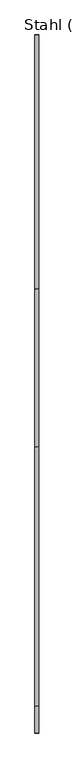
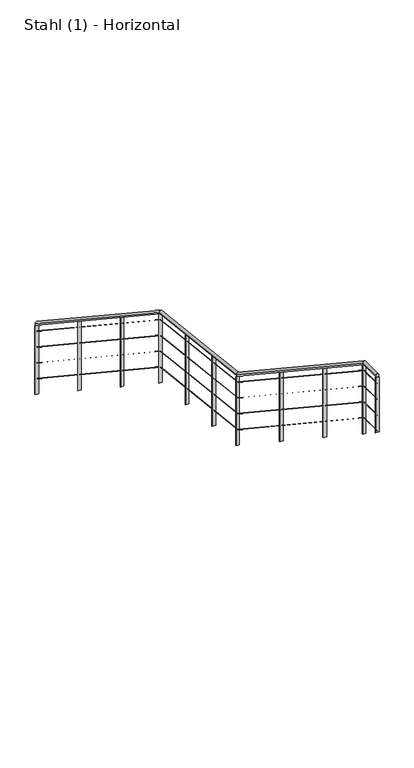
"""IFC4 building model written with IfcOpenShell, lengths in millimetres: railing geometry, Stahl (1) - Horizontal."""

from ifc_helpers import new_model, si_unit, frame, origin, place, context, project, spatial, polyline, circle_curve, ellipse_curve, outline, extrude, source, transform, mapped, element, save
from ifc_brep_helpers import plane_surface, cylinder_surface, advanced_brep


def stahl_1_horizontal_b038f002(model_context):
    return source(origin(), model_context, "Body", "SolidModel", [
        advanced_brep(
        [(33130.7514238, 35324.1830943, 1086.2890973), (33090.7514238, 35324.1830943, 1086.2890973), (33130.7514238, 32751.1980505, 2791.1440522), (33090.7514238, 32751.1980505, 2791.1440522), (33130.7514238, 31151.1980505, 2972.0964332), (33090.7514238, 31151.1980505, 2972.0964332), (33130.7514238, 28529.3488517, 4709.3286835), (33090.7514238, 28529.3488517, 4709.3286835), (33130.7514238, 28262.2783324, 4709.3286835), (33090.7514238, 28262.2783324, 4709.3286835)],
        [
            (0, 1, ellipse_curve(frame((33110.7514238, 35324.1830943, 1086.2890973), z_axis=(0.0, 1.0, 0.0), x_axis=(0.0, 0.0, -1.0)), 23.9919671, 20.0)),
            (1, 0, ellipse_curve(frame((33110.7514238, 35324.1830943, 1086.2890973), z_axis=(0.0, 1.0, 0.0), x_axis=(0.0, 0.0, -1.0)), 23.9919671, 20.0)),
            (0, 2),
            (2, 3, ellipse_curve(frame((33110.7514238, 32751.1980505, 2791.1440522), z_axis=(0.0, 0.9397497898618705, -0.34186303171675386), x_axis=(0.0, -0.34186303171675403, -0.9397497898618703)), 20.5715803, 20.0)),
            (3, 1),
            (3, 2, ellipse_curve(frame((33110.7514238, 32751.1980505, 2791.1440522), z_axis=(0.0, 0.9397497898618705, -0.34186303171675386), x_axis=(0.0, -0.34186303171675403, -0.9397497898618703)), 20.5715803, 20.0)),
            (2, 4),
            (4, 5, ellipse_curve(frame((33110.7514238, 31151.1980505, 2972.0964332), z_axis=(0.0, 0.9397497898618705, -0.34186303171675386), x_axis=(0.0, 0.3418630317167537, 0.9397497898618704)), 20.5715803, 20.0)),
            (5, 3),
            (5, 4, ellipse_curve(frame((33110.7514238, 31151.1980505, 2972.0964332), z_axis=(0.0, 0.9397497898618705, -0.34186303171675386), x_axis=(0.0, 0.3418630317167537, 0.9397497898618704)), 20.5715803, 20.0)),
            (4, 6),
            (6, 7, ellipse_curve(frame((33110.7514238, 28529.3488517, 4709.3286835), z_axis=(0.0, 0.9574999596457314, -0.28843340180780536), x_axis=(0.0, -0.28843340180780597, -0.9574999596457312)), 20.8877293, 20.0)),
            (7, 5),
            (7, 6, ellipse_curve(frame((33110.7514238, 28529.3488517, 4709.3286835), z_axis=(0.0, 0.9574999596457314, -0.28843340180780536), x_axis=(0.0, -0.28843340180780597, -0.9574999596457312)), 20.8877293, 20.0)),
            (8, 9, circle_curve(frame((33110.7514238, 28262.2783324, 4709.3286835), z_axis=(0.0, -1.0, 0.0), x_axis=(-1.0, 0.0, 0.0)), 20.0)),
            (9, 8, circle_curve(frame((33110.7514238, 28262.2783324, 4709.3286835), z_axis=(0.0, -1.0, 0.0), x_axis=(-1.0, 0.0, 0.0)), 20.0)),
            (6, 8),
            (9, 7),
        ],
        [
            plane_surface(frame((33110.7514238, 35324.1830943, 1110.2810645), z_axis=(0.0, 1.0, 0.0), x_axis=(0.0, 0.0, -1.0))),
            cylinder_surface(frame((33110.7514238, 35313.1360955, 1093.6088176), z_axis=(0.0, 0.8336123454431543, -0.5523499411829093), x_axis=(-1.0, 0.0, 0.0)), 20.0),
            cylinder_surface(frame((33110.7514238, 32755.9831368, 2790.6028818), z_axis=(0.0, 0.9936654360374932, -0.11237882907566885), x_axis=(-1.0, 0.0, 0.0)), 20.0),
            cylinder_surface(frame((33110.7514238, 31147.1837145, 2974.7563245), z_axis=(0.0, 0.8336123454431542, -0.5523499411829093), x_axis=(-1.0, 0.0, 0.0)), 20.0),
            plane_surface(frame((33110.7514238, 28262.2783324, 4729.3286835), z_axis=(0.0, -1.0, 0.0), x_axis=(0.0, 0.0, -1.0))),
            cylinder_surface(frame((33110.7514238, 28535.3735705, 4709.3286835), z_axis=(0.0, 1.0, 0.0), x_axis=(-1.0, 0.0, 0.0)), 20.0),
        ],
        [
            (0, [[1, 2]]),
            (1, [[-1, 3, 4, 5]]),
            (1, [[-2, -5, 6, -3]]),
            (2, [[-4, 7, 8, 9]]),
            (2, [[-6, -9, 10, -7]]),
            (3, [[-8, 11, 12, 13]]),
            (3, [[-10, -13, 14, -11]]),
            (4, [[15, 16]]),
            (5, [[-12, 17, -16, 18]]),
            (5, [[-14, -18, -15, -17]]),
        ],
    ),
        advanced_brep(
        [(33112.2514238, 35324.1830943, 988.4816669), (33109.2514238, 35324.1830943, 988.4816669), (33112.2514238, 32757.7032636, 2689.0262801), (33109.2514238, 32757.7032636, 2689.0262801), (33112.2514238, 31157.7032636, 2869.9786611), (33109.2514238, 31157.7032636, 2869.9786611), (33112.2514238, 28534.9217166, 4607.8286835), (33109.2514238, 28534.9217166, 4607.8286835), (33112.2514238, 28262.2783324, 4607.8286835), (33109.2514238, 28262.2783324, 4607.8286835)],
        [
            (0, 1, ellipse_curve(frame((33110.7514238, 35324.1830943, 988.4816669), z_axis=(0.0, 1.0, 0.0), x_axis=(0.0, 0.0, -1.0)), 1.7993975, 1.5)),
            (1, 0, ellipse_curve(frame((33110.7514238, 35324.1830943, 988.4816669), z_axis=(0.0, 1.0, 0.0), x_axis=(0.0, 0.0, -1.0)), 1.7993975, 1.5)),
            (0, 2),
            (2, 3, ellipse_curve(frame((33110.7514238, 32757.7032636, 2689.0262801), z_axis=(0.0, 0.9397497898618704, -0.34186303171675386), x_axis=(0.0, -0.3418630317167534, -0.9397497898618706)), 1.5428685, 1.5)),
            (3, 1),
            (3, 2, ellipse_curve(frame((33110.7514238, 32757.7032636, 2689.0262801), z_axis=(0.0, 0.9397497898618704, -0.34186303171675386), x_axis=(0.0, -0.3418630317167534, -0.9397497898618706)), 1.5428685, 1.5)),
            (2, 4),
            (4, 5, ellipse_curve(frame((33110.7514238, 31157.7032636, 2869.9786611), z_axis=(0.0, 0.9397497898618704, -0.34186303171675386), x_axis=(0.0, 0.34186303171675464, 0.9397497898618702)), 1.5428685, 1.5)),
            (5, 3),
            (5, 4, ellipse_curve(frame((33110.7514238, 31157.7032636, 2869.9786611), z_axis=(0.0, 0.9397497898618704, -0.34186303171675386), x_axis=(0.0, 0.34186303171675464, 0.9397497898618702)), 1.5428685, 1.5)),
            (4, 6),
            (6, 7, ellipse_curve(frame((33110.7514238, 28534.9217166, 4607.8286835), z_axis=(0.0, 0.9574999596457314, -0.28843340180780547), x_axis=(0.0, -0.28843340180780597, -0.9574999596457312)), 1.5665797, 1.5)),
            (7, 5),
            (7, 6, ellipse_curve(frame((33110.7514238, 28534.9217166, 4607.8286835), z_axis=(0.0, 0.9574999596457314, -0.28843340180780547), x_axis=(0.0, -0.28843340180780597, -0.9574999596457312)), 1.5665797, 1.5)),
            (8, 9, circle_curve(frame((33110.7514238, 28262.2783324, 4607.8286835), z_axis=(0.0, -1.0, 0.0), x_axis=(-1.0, 0.0, 0.0)), 1.5)),
            (9, 8, circle_curve(frame((33110.7514238, 28262.2783324, 4607.8286835), z_axis=(0.0, -1.0, 0.0), x_axis=(-1.0, 0.0, 0.0)), 1.5)),
            (6, 8),
            (9, 7),
        ],
        [
            plane_surface(frame((33110.7514238, 35324.1830943, 990.2810645), z_axis=(0.0, 1.0, 0.0), x_axis=(0.0, 0.0, -1.0))),
            cylinder_surface(frame((33110.7514238, 35323.3545694, 989.030646), z_axis=(0.0, 0.8336123454431542, -0.5523499411829094), x_axis=(-1.0, 0.0, 0.0)), 1.5),
            cylinder_surface(frame((33110.7514238, 32758.0621451, 2688.9856923), z_axis=(0.0, 0.9936654360374934, -0.1123788290756688), x_axis=(-1.0, 0.0, 0.0)), 1.5),
            cylinder_surface(frame((33110.7514238, 31157.4021884, 2870.1781529), z_axis=(0.0, 0.8336123454431542, -0.5523499411829094), x_axis=(-1.0, 0.0, 0.0)), 1.5),
            plane_surface(frame((33110.7514238, 28262.2783324, 4609.3286835), z_axis=(0.0, -1.0, 0.0), x_axis=(0.0, 0.0, -1.0))),
            cylinder_surface(frame((33110.7514238, 28535.3735705, 4607.8286835), z_axis=(0.0, 1.0, 0.0), x_axis=(-1.0, 0.0, 0.0)), 1.5),
        ],
        [
            (0, [[1, 2]]),
            (1, [[-1, 3, 4, 5]]),
            (1, [[-2, -5, 6, -3]]),
            (2, [[-4, 7, 8, 9]]),
            (2, [[-6, -9, 10, -7]]),
            (3, [[-8, 11, 12, 13]]),
            (3, [[-10, -13, 14, -11]]),
            (4, [[15, 16]]),
            (5, [[-12, 17, -16, 18]]),
            (5, [[-14, -18, -15, -17]]),
        ],
    ),
        advanced_brep(
        [(33112.2514238, 35324.1830943, 788.4816669), (33109.2514238, 35324.1830943, 788.4816669), (33112.2514238, 32757.7032636, 2489.0262801), (33109.2514238, 32757.7032636, 2489.0262801), (33112.2514238, 31157.7032636, 2669.9786611), (33109.2514238, 31157.7032636, 2669.9786611), (33112.2514238, 28534.9217166, 4407.8286835), (33109.2514238, 28534.9217166, 4407.8286835), (33112.2514238, 28262.2783324, 4407.8286835), (33109.2514238, 28262.2783324, 4407.8286835)],
        [
            (0, 1, ellipse_curve(frame((33110.7514238, 35324.1830943, 788.4816669), z_axis=(0.0, 1.0, 0.0), x_axis=(0.0, 0.0, -1.0)), 1.7993975, 1.5)),
            (1, 0, ellipse_curve(frame((33110.7514238, 35324.1830943, 788.4816669), z_axis=(0.0, 1.0, 0.0), x_axis=(0.0, 0.0, -1.0)), 1.7993975, 1.5)),
            (0, 2),
            (2, 3, ellipse_curve(frame((33110.7514238, 32757.7032636, 2489.0262801), z_axis=(0.0, 0.9397497898618705, -0.34186303171675386), x_axis=(0.0, -0.34186303171675403, -0.9397497898618703)), 1.5428685, 1.5)),
            (3, 1),
            (3, 2, ellipse_curve(frame((33110.7514238, 32757.7032636, 2489.0262801), z_axis=(0.0, 0.9397497898618705, -0.34186303171675386), x_axis=(0.0, -0.34186303171675403, -0.9397497898618703)), 1.5428685, 1.5)),
            (2, 4),
            (4, 5, ellipse_curve(frame((33110.7514238, 31157.7032636, 2669.9786611), z_axis=(0.0, 0.9397497898618705, -0.34186303171675386), x_axis=(0.0, 0.3418630317167537, 0.9397497898618704)), 1.5428685, 1.5)),
            (5, 3),
            (5, 4, ellipse_curve(frame((33110.7514238, 31157.7032636, 2669.9786611), z_axis=(0.0, 0.9397497898618705, -0.34186303171675386), x_axis=(0.0, 0.3418630317167537, 0.9397497898618704)), 1.5428685, 1.5)),
            (4, 6),
            (6, 7, ellipse_curve(frame((33110.7514238, 28534.9217166, 4407.8286835), z_axis=(0.0, 0.9574999596457314, -0.28843340180780536), x_axis=(0.0, -0.28843340180780597, -0.9574999596457312)), 1.5665797, 1.5)),
            (7, 5),
            (7, 6, ellipse_curve(frame((33110.7514238, 28534.9217166, 4407.8286835), z_axis=(0.0, 0.9574999596457314, -0.28843340180780536), x_axis=(0.0, -0.28843340180780597, -0.9574999596457312)), 1.5665797, 1.5)),
            (8, 9, circle_curve(frame((33110.7514238, 28262.2783324, 4407.8286835), z_axis=(0.0, -1.0, 0.0), x_axis=(-1.0, 0.0, 0.0)), 1.5)),
            (9, 8, circle_curve(frame((33110.7514238, 28262.2783324, 4407.8286835), z_axis=(0.0, -1.0, 0.0), x_axis=(-1.0, 0.0, 0.0)), 1.5)),
            (6, 8),
            (9, 7),
        ],
        [
            plane_surface(frame((33110.7514238, 35324.1830943, 790.2810645), z_axis=(0.0, 1.0, 0.0), x_axis=(0.0, 0.0, -1.0))),
            cylinder_surface(frame((33110.7514238, 35323.3545694, 789.030646), z_axis=(0.0, 0.8336123454431543, -0.5523499411829093), x_axis=(-1.0, 0.0, 0.0)), 1.5),
            cylinder_surface(frame((33110.7514238, 32758.0621451, 2488.9856923), z_axis=(0.0, 0.9936654360374932, -0.11237882907566885), x_axis=(-1.0, 0.0, 0.0)), 1.5),
            cylinder_surface(frame((33110.7514238, 31157.4021884, 2670.1781529), z_axis=(0.0, 0.8336123454431542, -0.5523499411829093), x_axis=(-1.0, 0.0, 0.0)), 1.5),
            plane_surface(frame((33110.7514238, 28262.2783324, 4409.3286835), z_axis=(0.0, -1.0, 0.0), x_axis=(0.0, 0.0, -1.0))),
            cylinder_surface(frame((33110.7514238, 28535.3735705, 4407.8286835), z_axis=(0.0, 1.0, 0.0), x_axis=(-1.0, 0.0, 0.0)), 1.5),
        ],
        [
            (0, [[1, 2]]),
            (1, [[-1, 3, 4, 5]]),
            (1, [[-2, -5, 6, -3]]),
            (2, [[-4, 7, 8, 9]]),
            (2, [[-6, -9, 10, -7]]),
            (3, [[-8, 11, 12, 13]]),
            (3, [[-10, -13, 14, -11]]),
            (4, [[15, 16]]),
            (5, [[-12, 17, -16, 18]]),
            (5, [[-14, -18, -15, -17]]),
        ],
    ),
        advanced_brep(
        [(33112.2514238, 35324.1830943, 588.4816669), (33109.2514238, 35324.1830943, 588.4816669), (33112.2514238, 32757.7032636, 2289.0262801), (33109.2514238, 32757.7032636, 2289.0262801), (33112.2514238, 31157.7032636, 2469.9786611), (33109.2514238, 31157.7032636, 2469.9786611), (33112.2514238, 28534.9217166, 4207.8286835), (33109.2514238, 28534.9217166, 4207.8286835), (33112.2514238, 28262.2783324, 4207.8286835), (33109.2514238, 28262.2783324, 4207.8286835)],
        [
            (0, 1, ellipse_curve(frame((33110.7514238, 35324.1830943, 588.4816669), z_axis=(0.0, 1.0, 0.0), x_axis=(0.0, 0.0, -1.0)), 1.7993975, 1.5)),
            (1, 0, ellipse_curve(frame((33110.7514238, 35324.1830943, 588.4816669), z_axis=(0.0, 1.0, 0.0), x_axis=(0.0, 0.0, -1.0)), 1.7993975, 1.5)),
            (0, 2),
            (2, 3, ellipse_curve(frame((33110.7514238, 32757.7032636, 2289.0262801), z_axis=(0.0, 0.9397497898618704, -0.34186303171675386), x_axis=(0.0, -0.3418630317167534, -0.9397497898618706)), 1.5428685, 1.5)),
            (3, 1),
            (3, 2, ellipse_curve(frame((33110.7514238, 32757.7032636, 2289.0262801), z_axis=(0.0, 0.9397497898618704, -0.34186303171675386), x_axis=(0.0, -0.3418630317167534, -0.9397497898618706)), 1.5428685, 1.5)),
            (2, 4),
            (4, 5, ellipse_curve(frame((33110.7514238, 31157.7032636, 2469.9786611), z_axis=(0.0, 0.9397497898618704, -0.34186303171675386), x_axis=(0.0, 0.34186303171675464, 0.9397497898618702)), 1.5428685, 1.5)),
            (5, 3),
            (5, 4, ellipse_curve(frame((33110.7514238, 31157.7032636, 2469.9786611), z_axis=(0.0, 0.9397497898618704, -0.34186303171675386), x_axis=(0.0, 0.34186303171675464, 0.9397497898618702)), 1.5428685, 1.5)),
            (4, 6),
            (6, 7, ellipse_curve(frame((33110.7514238, 28534.9217166, 4207.8286835), z_axis=(0.0, 0.9574999596457314, -0.28843340180780547), x_axis=(0.0, -0.28843340180780597, -0.9574999596457312)), 1.5665797, 1.5)),
            (7, 5),
            (7, 6, ellipse_curve(frame((33110.7514238, 28534.9217166, 4207.8286835), z_axis=(0.0, 0.9574999596457314, -0.28843340180780547), x_axis=(0.0, -0.28843340180780597, -0.9574999596457312)), 1.5665797, 1.5)),
            (8, 9, circle_curve(frame((33110.7514238, 28262.2783324, 4207.8286835), z_axis=(0.0, -1.0, 0.0), x_axis=(-1.0, 0.0, 0.0)), 1.5)),
            (9, 8, circle_curve(frame((33110.7514238, 28262.2783324, 4207.8286835), z_axis=(0.0, -1.0, 0.0), x_axis=(-1.0, 0.0, 0.0)), 1.5)),
            (6, 8),
            (9, 7),
        ],
        [
            plane_surface(frame((33110.7514238, 35324.1830943, 590.2810645), z_axis=(0.0, 1.0, 0.0), x_axis=(0.0, 0.0, -1.0))),
            cylinder_surface(frame((33110.7514238, 35323.3545694, 589.030646), z_axis=(0.0, 0.8336123454431542, -0.5523499411829094), x_axis=(-1.0, 0.0, 0.0)), 1.5),
            cylinder_surface(frame((33110.7514238, 32758.0621451, 2288.9856923), z_axis=(0.0, 0.9936654360374934, -0.1123788290756688), x_axis=(-1.0, 0.0, 0.0)), 1.5),
            cylinder_surface(frame((33110.7514238, 31157.4021884, 2470.1781529), z_axis=(0.0, 0.8336123454431542, -0.5523499411829094), x_axis=(-1.0, 0.0, 0.0)), 1.5),
            plane_surface(frame((33110.7514238, 28262.2783324, 4209.3286835), z_axis=(0.0, -1.0, 0.0), x_axis=(0.0, 0.0, -1.0))),
            cylinder_surface(frame((33110.7514238, 28535.3735705, 4207.8286835), z_axis=(0.0, 1.0, 0.0), x_axis=(-1.0, 0.0, 0.0)), 1.5),
        ],
        [
            (0, [[1, 2]]),
            (1, [[-1, 3, 4, 5]]),
            (1, [[-2, -5, 6, -3]]),
            (2, [[-4, 7, 8, 9]]),
            (2, [[-6, -9, 10, -7]]),
            (3, [[-8, 11, 12, 13]]),
            (3, [[-10, -13, 14, -11]]),
            (4, [[15, 16]]),
            (5, [[-12, 17, -16, 18]]),
            (5, [[-14, -18, -15, -17]]),
        ],
    ),
        advanced_brep(
        [(33112.2514238, 35324.1830943, 388.4816669), (33109.2514238, 35324.1830943, 388.4816669), (33112.2514238, 32757.7032636, 2089.0262801), (33109.2514238, 32757.7032636, 2089.0262801), (33112.2514238, 31157.7032636, 2269.9786611), (33109.2514238, 31157.7032636, 2269.9786611), (33112.2514238, 28534.9217166, 4007.8286835), (33109.2514238, 28534.9217166, 4007.8286835), (33112.2514238, 28262.2783324, 4007.8286835), (33109.2514238, 28262.2783324, 4007.8286835)],
        [
            (0, 1, ellipse_curve(frame((33110.7514238, 35324.1830943, 388.4816669), z_axis=(0.0, 1.0, 0.0), x_axis=(0.0, 0.0, -1.0)), 1.7993975, 1.5)),
            (1, 0, ellipse_curve(frame((33110.7514238, 35324.1830943, 388.4816669), z_axis=(0.0, 1.0, 0.0), x_axis=(0.0, 0.0, -1.0)), 1.7993975, 1.5)),
            (0, 2),
            (2, 3, ellipse_curve(frame((33110.7514238, 32757.7032636, 2089.0262801), z_axis=(0.0, 0.9397497898618704, -0.34186303171675386), x_axis=(0.0, -0.3418630317167534, -0.9397497898618706)), 1.5428685, 1.5)),
            (3, 1),
            (3, 2, ellipse_curve(frame((33110.7514238, 32757.7032636, 2089.0262801), z_axis=(0.0, 0.9397497898618704, -0.34186303171675386), x_axis=(0.0, -0.3418630317167534, -0.9397497898618706)), 1.5428685, 1.5)),
            (2, 4),
            (4, 5, ellipse_curve(frame((33110.7514238, 31157.7032636, 2269.9786611), z_axis=(0.0, 0.9397497898618704, -0.34186303171675386), x_axis=(0.0, 0.34186303171675464, 0.9397497898618702)), 1.5428685, 1.5)),
            (5, 3),
            (5, 4, ellipse_curve(frame((33110.7514238, 31157.7032636, 2269.9786611), z_axis=(0.0, 0.9397497898618704, -0.34186303171675386), x_axis=(0.0, 0.34186303171675464, 0.9397497898618702)), 1.5428685, 1.5)),
            (4, 6),
            (6, 7, ellipse_curve(frame((33110.7514238, 28534.9217166, 4007.8286835), z_axis=(0.0, 0.9574999596457314, -0.28843340180780547), x_axis=(0.0, -0.28843340180780597, -0.9574999596457312)), 1.5665797, 1.5)),
            (7, 5),
            (7, 6, ellipse_curve(frame((33110.7514238, 28534.9217166, 4007.8286835), z_axis=(0.0, 0.9574999596457314, -0.28843340180780547), x_axis=(0.0, -0.28843340180780597, -0.9574999596457312)), 1.5665797, 1.5)),
            (8, 9, circle_curve(frame((33110.7514238, 28262.2783324, 4007.8286835), z_axis=(0.0, -1.0, 0.0), x_axis=(-1.0, 0.0, 0.0)), 1.5)),
            (9, 8, circle_curve(frame((33110.7514238, 28262.2783324, 4007.8286835), z_axis=(0.0, -1.0, 0.0), x_axis=(-1.0, 0.0, 0.0)), 1.5)),
            (6, 8),
            (9, 7),
        ],
        [
            plane_surface(frame((33110.7514238, 35324.1830943, 390.2810645), z_axis=(0.0, 1.0, 0.0), x_axis=(0.0, 0.0, -1.0))),
            cylinder_surface(frame((33110.7514238, 35323.3545694, 389.030646), z_axis=(0.0, 0.8336123454431542, -0.5523499411829094), x_axis=(-1.0, 0.0, 0.0)), 1.5),
            cylinder_surface(frame((33110.7514238, 32758.0621451, 2088.9856923), z_axis=(0.0, 0.9936654360374934, -0.1123788290756688), x_axis=(-1.0, 0.0, 0.0)), 1.5),
            cylinder_surface(frame((33110.7514238, 31157.4021884, 2270.1781529), z_axis=(0.0, 0.8336123454431542, -0.5523499411829094), x_axis=(-1.0, 0.0, 0.0)), 1.5),
            plane_surface(frame((33110.7514238, 28262.2783324, 4009.3286835), z_axis=(0.0, -1.0, 0.0), x_axis=(0.0, 0.0, -1.0))),
            cylinder_surface(frame((33110.7514238, 28535.3735705, 4007.8286835), z_axis=(0.0, 1.0, 0.0), x_axis=(-1.0, 0.0, 0.0)), 1.5),
        ],
        [
            (0, [[1, 2]]),
            (1, [[-1, 3, 4, 5]]),
            (1, [[-2, -5, 6, -3]]),
            (2, [[-4, 7, 8, 9]]),
            (2, [[-6, -9, 10, -7]]),
            (3, [[-8, 11, 12, 13]]),
            (3, [[-10, -13, 14, -11]]),
            (4, [[15, 16]]),
            (5, [[-12, 17, -16, 18]]),
            (5, [[-14, -18, -15, -17]]),
        ],
    ),
        extrude(outline(polyline([(29353.3637183, 4139.3460463), (29353.3637183, 3269.9803729), (29345.3637183, 3269.9803729), (29345.3637183, 4144.6468309), (29353.3637183, 4139.3460463)])), frame((33090.7514238, 0.0, 0.0), z_axis=(1.0, 0.0, 0.0), x_axis=(0.0, 1.0, 0.0)), (0.0, 0.0, 1.0), 40.0),
        extrude(outline(polyline([(30257.7972158, 3540.0701455), (30257.7972158, 2670.7044722), (30249.7972158, 2670.7044722), (30249.7972158, 3545.3709302), (30257.7972158, 3540.0701455)])), frame((33090.7514238, 0.0, 0.0), z_axis=(1.0, 0.0, 0.0), x_axis=(0.0, 1.0, 0.0)), (0.0, 0.0, 1.0), 40.0),
        extrude(outline(polyline([(31658.7824375, 2894.5635571), (31658.7824375, 2015.270936), (31650.7824375, 2015.270936), (31650.7824375, 2895.4683191), (31658.7824375, 2894.5635571)])), frame((33090.7514238, 0.0, 0.0), z_axis=(1.0, 0.0, 0.0), x_axis=(0.0, 1.0, 0.0)), (0.0, 0.0, 1.0), 40.0),
        extrude(outline(polyline([(32210.5065754, 2832.1661844), (32210.5065754, 1952.8735632), (32202.5065754, 1952.8735632), (32202.5065754, 2833.0709463), (32210.5065754, 2832.1661844)])), frame((33090.7514238, 0.0, 0.0), z_axis=(1.0, 0.0, 0.0), x_axis=(0.0, 1.0, 0.0)), (0.0, 0.0, 1.0), 40.0),
        extrude(outline(polyline([(33558.5607626, 2232.1951006), (33558.5607626, 1362.8294272), (33550.5607626, 1362.8294272), (33550.5607626, 2237.4958853), (33558.5607626, 2232.1951006)])), frame((33090.7514238, 0.0, 0.0), z_axis=(1.0, 0.0, 0.0), x_axis=(0.0, 1.0, 0.0)), (0.0, 0.0, 1.0), 40.0),
        extrude(outline(polyline([(34443.3719285, 1645.9209192), (34443.3719285, 776.5552459), (34435.3719285, 776.5552459), (34435.3719285, 1651.2217039), (34443.3719285, 1645.9209192)])), frame((33090.7514238, 0.0, 0.0), z_axis=(1.0, 0.0, 0.0), x_axis=(0.0, 1.0, 0.0)), (0.0, 0.0, 1.0), 40.0),
        extrude(outline(polyline([(28539.3735705, 4678.6943569), (28539.3735705, 3809.3286835), (28531.3735705, 3809.3286835), (28531.3735705, 4683.9951416), (28539.3735705, 4678.6943569)])), frame((33090.7514238, 0.0, 0.0), z_axis=(1.0, 0.0, 0.0), x_axis=(0.0, 1.0, 0.0)), (0.0, 0.0, 1.0), 40.0),
        extrude(outline(polyline([(31162.2307134, 2940.7942448), (31162.2307134, 2071.4285714), (31154.2307134, 2071.4285714), (31154.2307134, 2946.0950295), (31162.2307134, 2940.7942448)])), frame((33090.7514238, 0.0, 0.0), z_axis=(1.0, 0.0, 0.0), x_axis=(0.0, 1.0, 0.0)), (0.0, 0.0, 1.0), 40.0),
        extrude(outline(polyline([(32762.2307134, 2769.7688117), (32762.2307134, 1890.4761905), (32754.2307134, 1890.4761905), (32754.2307134, 2770.6735736), (32762.2307134, 2769.7688117)])), frame((33090.7514238, 0.0, 0.0), z_axis=(1.0, 0.0, 0.0), x_axis=(0.0, 1.0, 0.0)), (0.0, 0.0, 1.0), 40.0),
        extrude(outline(polyline([(33090.7514238, 28266.2783324), (33130.7514238, 28266.2783324), (33130.7514238, 28258.2783324), (33090.7514238, 28258.2783324), (33090.7514238, 28266.2783324)])), frame((0.0, 0.0, 3990.2810645), z_axis=(0.0, 0.0, 1.0), x_axis=(1.0, 0.0, 0.0)), (0.0, 0.0, 1.0), 699.047619),
        extrude(outline(polyline([(35328.1830943, 1059.6467379), (35328.1830943, 190.2810645), (35320.1830943, 190.2810645), (35320.1830943, 1064.9475225), (35328.1830943, 1059.6467379)])), frame((33090.7514238, 0.0, 0.0), z_axis=(1.0, 0.0, 0.0), x_axis=(0.0, 1.0, 0.0)), (0.0, 0.0, 1.0), 40.0),
    ])


if __name__ == "__main__":
    model = new_model("IFC4")
    model_context = context("Model", 3, world=origin())
    ifc_project = project(units=[si_unit("LENGTHUNIT", "METRE", prefix="MILLI")], contexts=[model_context])
    site = spatial("IfcSite", under=ifc_project)
    building = spatial("IfcBuilding", under=site)
    placement = place(None, origin())
    stahl_1_horizontal_shape = stahl_1_horizontal_b038f002(model_context)
    element("IfcRailing", 1, ObjectType="Stahl (1) - Horizontal", at=placement, inside=building, context=model_context, shape_type="MappedRepresentation", body=[
        mapped(stahl_1_horizontal_shape, transform((0.0, 0.0, 0.0), x_axis=(1.0, 0.0, 0.0), y_axis=(0.0, 1.0, 0.0), z_axis=(0.0, 0.0, 1.0))),
    ])
    save(model, "model.ifc")
